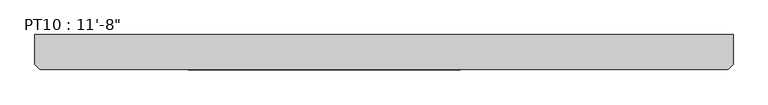
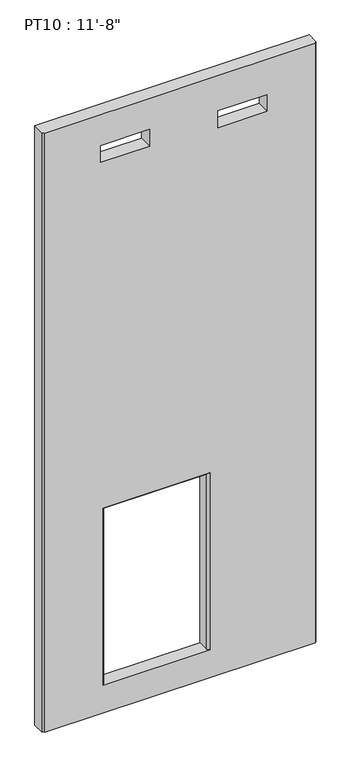
"""IFC4 building model written with IfcOpenShell, lengths in millimetres: beam geometry."""

import ifcopenshell
import ifcopenshell.guid

model = None  # the IFC model being written
_history = None  # IfcOwnerHistory: only IFC2X3 demands one
_inside = {}  # id of a spatial element -> (the spatial element, [elements in it])
_under = {}  # id of a project, library or spatial element -> (it, [spatial elements below it])
_declared = {}  # id of a project -> (the project, [libraries it declares])
_typed = {}  # id of a type object -> (the type object, [elements of that type])
_made_of = {}  # id of a material, layer set ... -> (it, [elements and type objects made of it])


def new_model(schema):
    """Start an empty IFC model of exactly this schema.

    Asked for "IFC4X3", IfcOpenShell would pick the latest addendum, in which some entities
    have other attributes; the version numbers below select the first issue.
    IFC2X3 requires an IfcOwnerHistory on every rooted entity: one is made here for all.
    """
    global model, _history
    if schema == "IFC4X3":
        model = ifcopenshell.file(schema_version=(4, 3, 0, 0))
    else:
        model = ifcopenshell.file(schema=schema)
    _inside.clear()
    _under.clear()
    _declared.clear()
    _typed.clear()
    _made_of.clear()
    _history = None
    if model.schema == "IFC2X3":
        org = make("IfcOrganization", Name="unknown")
        user = make(
            "IfcPersonAndOrganization",
            ThePerson=make("IfcPerson", FamilyName="unknown"),
            TheOrganization=org,
        )
        app = make(
            "IfcApplication",
            ApplicationDeveloper=org,
            Version="unknown",
            ApplicationFullName="unknown",
            ApplicationIdentifier="unknown",
        )
        _history = make(
            "IfcOwnerHistory",
            OwningUser=user,
            OwningApplication=app,
            ChangeAction="ADDED",
            CreationDate=0,
        )
    return model


def make(cls, **values):
    """One entity of the class cls with the attributes given. An attribute that is None is left unset."""
    return model.create_entity(
        cls, **{name: value for name, value in values.items() if value is not None}
    )


def rooted(cls, **values):
    """An entity with a GlobalId (a new one), such as an element, a storey or a relation."""
    return make(cls, GlobalId=ifcopenshell.guid.new(), OwnerHistory=_history, **values)


def si_unit(unit_type, name, prefix=None):
    """IfcSIUnit, for example si_unit("LENGTHUNIT", "METRE", prefix="MILLI")."""
    return make("IfcSIUnit", UnitType=unit_type, Prefix=prefix, Name=name)


def assignment(units):
    """IfcUnitAssignment: the units of a project."""
    return None if units is None else make("IfcUnitAssignment", Units=units)


def point(xyz):
    """IfcCartesianPoint."""
    return None if xyz is None else make("IfcCartesianPoint", Coordinates=xyz)


def direction(xyz):
    """IfcDirection."""
    return None if xyz is None else make("IfcDirection", DirectionRatios=xyz)


def frame(location, z_axis=None, x_axis=None):
    """IfcAxis2Placement3D, a coordinate frame: its origin and axes. An axis left out is left unset."""
    return make(
        "IfcAxis2Placement3D",
        Location=point(location),
        Axis=direction(z_axis),
        RefDirection=direction(x_axis),
    )


def origin():
    """The frame at (0, 0, 0) with its axes left unset."""
    return frame((0.0, 0.0, 0.0))


def place(relative_to, where):
    """IfcLocalPlacement: puts the frame where relative to a parent placement (None: the world)."""
    return make(
        "IfcLocalPlacement", PlacementRelTo=relative_to, RelativePlacement=where
    )


def context(
    kind, dimensions, precision=None, world=None, true_north=None, identifier=None
):
    """IfcGeometricRepresentationContext, for example the 3D "Model" context."""
    return make(
        "IfcGeometricRepresentationContext",
        ContextIdentifier=identifier,
        ContextType=kind,
        CoordinateSpaceDimension=dimensions,
        Precision=precision,
        WorldCoordinateSystem=world,
        TrueNorth=true_north,
    )


def project(units=None, contexts=None):
    """IfcProject with its units and contexts."""
    return rooted(
        "IfcProject",
        Name="project",
        RepresentationContexts=contexts,
        UnitsInContext=assignment(units),
    )


def spatial(cls, under=None, at=None, **own):
    """A site, building, storey or space (cls), placed at a placement, below another one or the project."""
    s = rooted(cls, ObjectPlacement=at, **own)
    if under is not None:
        _under.setdefault(under.id(), (under, []))[1].append(s)
    return s


def faces_of(points, faces, orient=None, outer=None):
    """IfcFace entities. A face is a list of loops; a loop is a list of indices into points, from 0.

    orient and outer hold one flag for each loop. By default every Orientation is true, the
    first loop of a face is its IfcFaceOuterBound and the others are IfcFaceBound.
    """
    made = []
    for i, loops in enumerate(faces):
        bounds = []
        for j, loop in enumerate(loops):
            is_outer = j == 0 if outer is None else outer[i][j]
            bounds.append(
                make(
                    "IfcFaceOuterBound" if is_outer else "IfcFaceBound",
                    Bound=make("IfcPolyLoop", Polygon=[points[k] for k in loop]),
                    Orientation=True if orient is None else orient[i][j],
                )
            )
        made.append(make("IfcFace", Bounds=bounds))
    return made


def faceted_brep(points, faces, orient=None, outer=None, voids=None):
    """IfcFacetedBrep: a solid bounded by flat faces; with voids (closed shells), ...WithVoids."""
    shared = [point(p) for p in points]
    hull = make("IfcClosedShell", CfsFaces=faces_of(shared, faces, orient, outer))
    if voids is None:
        return make("IfcFacetedBrep", Outer=hull)
    return make(
        "IfcFacetedBrepWithVoids",
        Outer=hull,
        Voids=[
            make(cls, CfsFaces=faces_of(shared, fs, o, b)) for cls, fs, o, b in voids
        ],
    )


def shape(context_of_items, identifier, shape_type, items):
    """IfcShapeRepresentation: the items that make up one representation, for example the "Body"."""
    return make(
        "IfcShapeRepresentation",
        ContextOfItems=context_of_items,
        RepresentationIdentifier=identifier,
        RepresentationType=shape_type,
        Items=items,
    )


def source(mapping_origin, context_of_items, identifier, shape_type, items):
    """IfcRepresentationMap: a shape defined once, which mapped items show again and again."""
    return make(
        "IfcRepresentationMap",
        MappingOrigin=mapping_origin,
        MappedRepresentation=shape(context_of_items, identifier, shape_type, items),
    )


def transform(
    local_origin,
    x_axis=None,
    y_axis=None,
    z_axis=None,
    scale=None,
    scale2=None,
    scale3=None,
    uniform=True,
):
    """IfcCartesianTransformationOperator3D, or its non-uniform kind. x_axis, y_axis, z_axis: its Axis1, 2, 3."""
    if uniform:
        return make(
            "IfcCartesianTransformationOperator3D",
            Axis1=direction(x_axis),
            Axis2=direction(y_axis),
            LocalOrigin=point(local_origin),
            Scale=scale,
            Axis3=direction(z_axis),
        )
    return make(
        "IfcCartesianTransformationOperator3DnonUniform",
        Axis1=direction(x_axis),
        Axis2=direction(y_axis),
        LocalOrigin=point(local_origin),
        Scale=scale,
        Axis3=direction(z_axis),
        Scale2=scale2,
        Scale3=scale3,
    )


def mapped(mapping_source, mapping_target):
    """IfcMappedItem: shows the shape of a source again, moved by a transform."""
    return make(
        "IfcMappedItem", MappingSource=mapping_source, MappingTarget=mapping_target
    )


def made_of(thing, what):
    """Note that an element or type object is made of a material, layer set ...; save() writes the relation."""
    if what is not None:
        _made_of.setdefault(what.id(), (what, []))[1].append(thing)
    return thing


def element(
    cls,
    number,
    at=None,
    inside=None,
    cuts=None,
    type_object=None,
    material=None,
    context=None,
    identifier="Body",
    shape_type=None,
    held_by="IfcProductDefinitionShape",
    body=None,
    shapes=None,
    **own,
):
    """One element of the class cls, such as IfcWall. Its Tag is "e" and its number.

    at: its placement. inside: the storey or other place that contains it. cuts: it is an
    opening in that element (IfcRelVoidsElement). A single representation is given by context,
    identifier, shape_type and body (its items); several are given by shapes. held_by: the class
    of the entity that holds the representations. save() writes the other relations.
    """
    e = rooted(cls, Tag="e%d" % number, ObjectPlacement=at, **own)
    if body is not None:
        shapes = [shape(context, identifier, shape_type, body)]
    if shapes is not None:
        e.Representation = make(held_by, Representations=shapes)
    if inside is not None:
        _inside.setdefault(inside.id(), (inside, []))[1].append(e)
    if cuts is not None:
        rooted(
            "IfcRelVoidsElement", RelatingBuildingElement=cuts, RelatedOpeningElement=e
        )
    if type_object is not None:
        _typed.setdefault(type_object.id(), (type_object, []))[1].append(e)
    return made_of(e, material)


def aggregate(whole, parts):
    """IfcRelAggregates: a whole, such as a stair, and the parts it consists of."""
    return rooted("IfcRelAggregates", RelatingObject=whole, RelatedObjects=parts)


def save(model, path):
    """Write the relations noted so far, then the file.

    IfcRelAggregates (storeys below a building ...), IfcRelContainedInSpatialStructure (elements
    in a storey), IfcRelDefinesByType, IfcRelAssociatesMaterial and IfcRelDeclares: one each for
    every whole, place, type object, material and project.
    """
    for whole, parts in _under.values():
        aggregate(whole, parts)
    for where, things in _inside.values():
        rooted(
            "IfcRelContainedInSpatialStructure",
            RelatedElements=things,
            RelatingStructure=where,
        )
    for kind, things in _typed.values():
        rooted("IfcRelDefinesByType", RelatedObjects=things, RelatingType=kind)
    for what, things in _made_of.values():
        rooted("IfcRelAssociatesMaterial", RelatedObjects=things, RelatingMaterial=what)
    for by, libraries in _declared.values():
        rooted("IfcRelDeclares", RelatingContext=by, RelatedDefinitions=libraries)
    model.write(path)


def beam_74d67528(model_context):
    return source(origin(), model_context, "Body", "Brep", [
        faceted_brep([(0.0, 0.0, 0.0), (3556.0, 0.0, 0.0), (3556.0, -152.4, 0.0), (3530.6, -177.8, 0.0), (25.4, -177.8, 0.0), (0.0, -152.4, 0.0), (0.0, 0.0, 8204.2), (3556.0, 0.0, 8204.2), (806.45, 0.0, 2781.3), (806.45, 0.0, 381.0), (2139.95, 0.0, 381.0), (2139.95, 0.0, 2781.3), (749.3, 0.0, 7550.15), (1384.3, 0.0, 7550.15), (1384.3, 0.0, 7778.75), (749.3, 0.0, 7778.75), (2273.3, 0.0, 7493.0), (2908.3, 0.0, 7493.0), (2908.3, 0.0, 7721.6), (2273.3, 0.0, 7721.6), (3556.0, -152.4, 8204.2), (3530.6, -177.8, 8204.2), (25.4, -177.8, 8204.2), (2165.35, -177.8, 381.0), (781.05, -177.8, 381.0), (781.05, -177.8, 2806.7), (2165.35, -177.8, 2806.7), (1384.3, -177.8, 7550.15), (749.3, -177.8, 7550.15), (749.3, -177.8, 7778.75), (1384.3, -177.8, 7778.75), (2908.3, -177.8, 7493.0), (2273.3, -177.8, 7493.0), (2273.3, -177.8, 7721.6), (2908.3, -177.8, 7721.6), (0.0, -152.4, 8204.2), (2139.95, -152.4, 381.0), (806.45, -152.4, 381.0), (806.45, -152.4, 2781.3), (2139.95, -152.4, 2781.3)], [[[0, 1, 2, 3, 4, 5]], [[6, 7, 1, 0], [8, 9, 10, 11], [12, 13, 14, 15], [16, 17, 18, 19]], [[1, 7, 20, 2]], [[20, 21, 3, 2]], [[21, 22, 4, 3], [23, 24, 25, 26], [27, 28, 29, 30], [31, 32, 33, 34]], [[22, 35, 5, 4]], [[6, 0, 5, 35]], [[23, 36, 10, 9, 37, 24]], [[24, 37, 38, 25]], [[36, 23, 26, 39]], [[9, 8, 38, 37]], [[11, 10, 36, 39]], [[7, 6, 35, 22, 21, 20]], [[25, 38, 39, 26]], [[27, 13, 12, 28]], [[28, 12, 15, 29]], [[14, 30, 29, 15]], [[13, 27, 30, 14]], [[31, 17, 16, 32]], [[32, 16, 19, 33]], [[18, 34, 33, 19]], [[17, 31, 34, 18]], [[8, 11, 39, 38]]]),
    ])


if __name__ == "__main__":
    model = new_model("IFC4")
    model_context = context("Model", 3, world=origin())
    ifc_project = project(units=[si_unit("LENGTHUNIT", "METRE", prefix="MILLI")], contexts=[model_context])
    site = spatial("IfcSite", under=ifc_project)
    building = spatial("IfcBuilding", under=site)
    placement = place(None, origin())
    beam_shape = beam_74d67528(model_context)
    element("IfcBeam", 1, ObjectType="PT10 : 11'-8\"", at=placement, inside=building, context=model_context, shape_type="MappedRepresentation", body=[
        mapped(beam_shape, transform((0.0, 0.0, 0.0), x_axis=(1.0, 0.0, 0.0), y_axis=(0.0, 1.0, 0.0), z_axis=(0.0, 0.0, 1.0))),
    ])
    save(model, "model.ifc")
